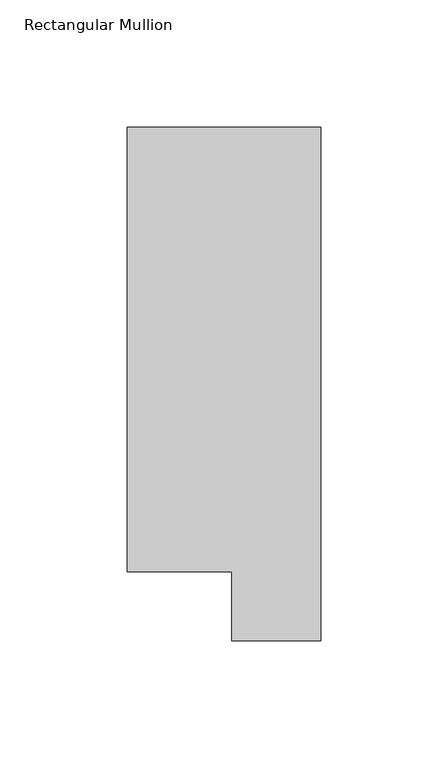
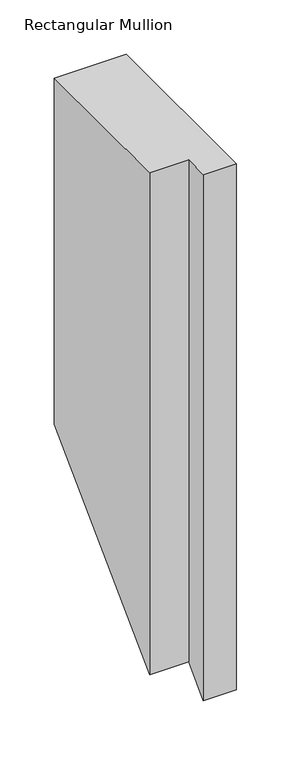
"""IFC4 building model written with IfcOpenShell, lengths in millimetres: member geometry, Rectangular Mullion."""

from ifc_helpers import new_model, si_unit, origin, place, context, project, spatial, faceted_brep, source, transform, mapped, element, save


def rectangular_mullion_da37f9d5(model_context):
    return source(origin(), model_context, "Body", "Brep", [
        faceted_brep([(0.0, 221.7507313, 0.0), (-76.2, 221.7507313, 0.0), (-76.2, 46.7447302, 0.0), (-34.9123, 46.7447302, 0.0), (-34.9123, 19.5667313, 0.0), (0.0, 19.5667313, 0.0), (0.0, 221.7507313, -387.8492687), (-76.2, 221.7507313, -387.8492687), (-76.2, 46.7447302, -562.8552698), (-34.9123, 46.7447302, -562.8552698), (-34.9123, 19.5667313, -590.0332687), (0.0, 19.5667313, -590.0332687)], [[[0, 1, 2, 3, 4, 5]], [[1, 0, 6, 7]], [[2, 1, 7, 8]], [[3, 2, 8, 9]], [[4, 3, 9, 10]], [[5, 4, 10, 11]], [[0, 5, 11, 6]], [[6, 11, 10, 9, 8, 7]]]),
    ])


if __name__ == "__main__":
    model = new_model("IFC4")
    model_context = context("Model", 3, world=origin())
    ifc_project = project(units=[si_unit("LENGTHUNIT", "METRE", prefix="MILLI")], contexts=[model_context])
    site = spatial("IfcSite", under=ifc_project)
    building = spatial("IfcBuilding", under=site)
    placement = place(None, origin())
    rectangular_mullion_shape = rectangular_mullion_da37f9d5(model_context)
    element("IfcMember", 1, ObjectType="Rectangular Mullion", at=placement, inside=building, context=model_context, shape_type="MappedRepresentation", body=[
        mapped(rectangular_mullion_shape, transform((0.0, 0.0, 0.0), x_axis=(1.0, 0.0, 0.0), y_axis=(0.0, 1.0, 0.0), z_axis=(0.0, 0.0, 1.0))),
    ])
    save(model, "model.ifc")
